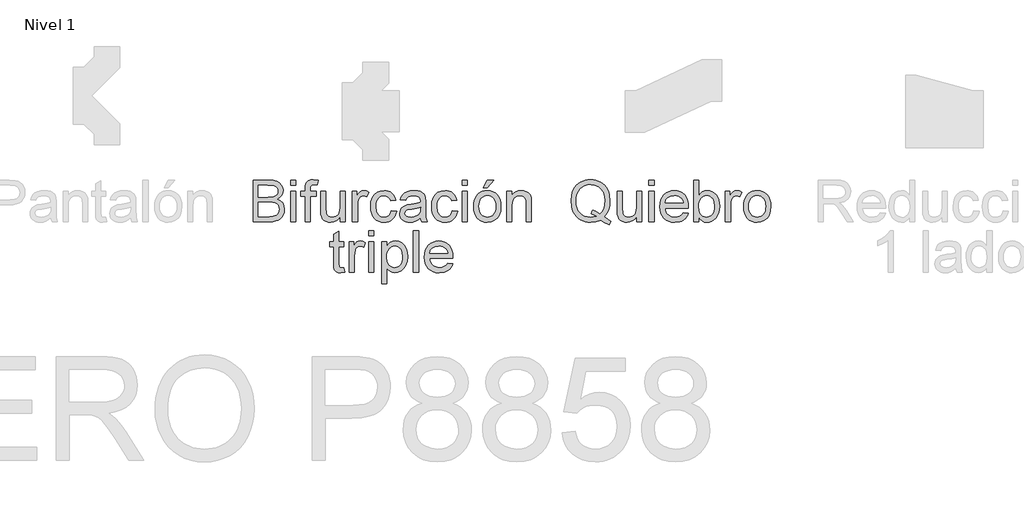
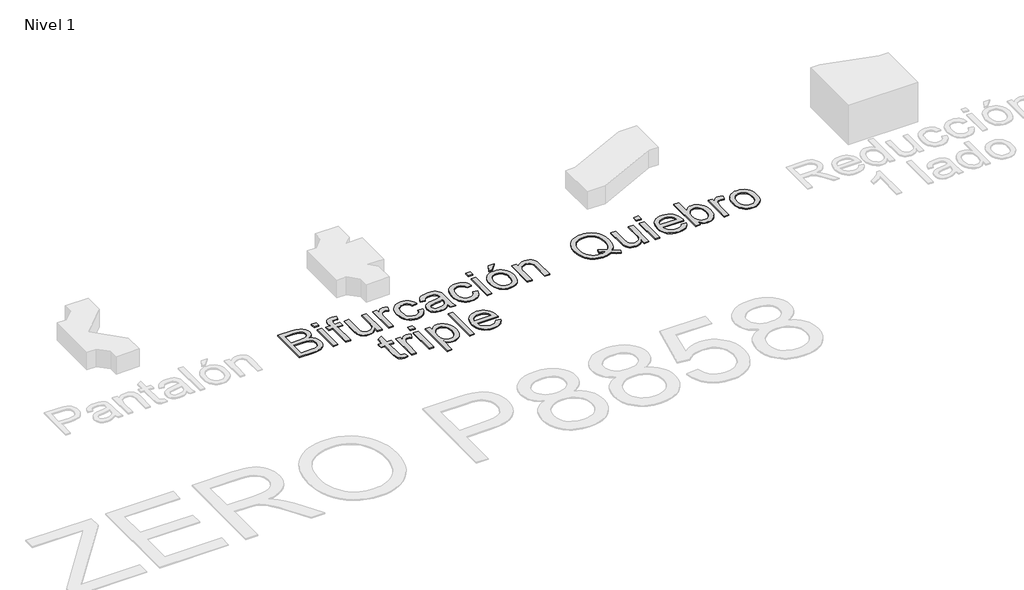
# One storey, part 6 of 8: 2 proxies.
"""IFC4 building model written with IfcOpenShell, lengths in millimetres."""

from ifc_helpers import new_model, si_unit, origin, origin_with_axes, place, context, project, spatial, polyline, outline, extrude, element, save

model = new_model("IFC4")

# Units and contexts
model_context = context("Model", 3, world=origin())
ifc_project = project(units=[si_unit("LENGTHUNIT", "METRE", prefix="MILLI")], contexts=[model_context])

# Site, building, storey
site = spatial("IfcSite", under=ifc_project)
building = spatial("IfcBuilding", under=site)
storey = spatial("IfcBuildingStorey", under=building, Name="Nivel 1", Elevation=0.0)

# Proxies
placement = place(None, origin())
element("IfcBuildingElementProxy", 1, Name="Texto de modelo 1", ObjectType="Texto de modelo 1", at=placement, inside=storey, context=model_context, shape_type="SweptSolid", body=[
    extrude(outline(polyline([(2202.1788661, -4268.1567878), (2234.6260581, -4292.9520343), (2264.4735506, -4310.0462843), (2250.9354932, -4346.8344838), (2209.5119805, -4327.6310437), (2168.2356207, -4299.8436903), (2121.759862, -4316.9134149), (2070.6242646, -4322.6033231), (2044.3145706, -4320.9631825), (2019.2434126, -4316.0427608), (1995.4107907, -4307.842058), (1972.8167048, -4296.3610741), (1952.1080142, -4281.909443), (1933.931578, -4264.7967989), (1918.2873961, -4245.0231417), (1905.1754687, -4222.5884713), (1894.8103935, -4198.072202), (1887.4067683, -4172.0537479), (1881.4838682, -4115.5102853), (1887.3945056, -4058.9177717), (1894.7828023, -4032.6172747), (1905.1264177, -4007.6472843), (1918.1984913, -3984.7926153), (1933.7721624, -3964.8380828), (1951.8474311, -3947.7836866), (1972.4242974, -3933.6294268), (1994.9018873, -3922.5132592), (2018.6793269, -3914.5731395), (2043.7566163, -3909.8090677), (2070.1337553, -3908.2210437), (2096.7346892, -3909.8458559), (2121.9928539, -3914.7202923), (2145.9082493, -3922.844353), (2168.4808754, -3934.218038), (2189.0792014, -3948.5163849), (2207.0716966, -3965.4144312), (2222.4583611, -3984.912177), (2235.2391947, -4007.0096222), (2245.2823732, -4031.1549438), (2252.4560721, -4056.7963188), (2258.1950312, -4112.5672293), (2254.712415, -4158.9448862), (2244.2645664, -4200.3683988), (2226.7779089, -4236.7887163), (2202.1788661, -4268.1567878)]), holes=[polyline([(2084.4566277, -4201.3494175), (2126.6894807, -4217.3154961), (2160.7798789, -4239.5110431), (2181.4241902, -4216.2118501), (2196.1701269, -4187.7132582), (2205.0176888, -4154.0152674), (2207.9668762, -4115.1178778), (2203.7975469, -4070.9107247), (2191.2895591, -4032.6632599), (2170.749481, -4001.3442394), (2142.483881, -3977.9224191), (2108.4057455, -3963.3175039), (2070.4280609, -3958.4491988), (2041.7823162, -3960.9109425), (2015.68722, -3968.2961735), (1992.1427723, -3980.6048919), (1971.1489731, -3997.8370977), (1953.8953076, -4019.9560027), (1941.5712607, -4046.9248186), (1934.1768326, -4078.7435455), (1931.7120233, -4115.4121834), (1934.1492415, -4151.1243281), (1941.4608961, -4182.4280202), (1953.6469872, -4209.3232597), (1970.7075147, -4231.8100467), (1991.5572268, -4249.5572873), (2015.1108716, -4262.2338877), (2041.368449, -4269.8398479), (2070.329959, -4272.375168), (2098.2154143, -4269.799994), (2124.3840869, -4262.0744721), (2098.6568727, -4248.708093), (2071.5071814, -4239.8053487), (2084.4566277, -4201.3494175)])]), origin_with_axes(), (0.0, 0.0, 1.0), 10.0),
    extrude(outline(polyline([(2515.614326, -4316.3248037), (2515.614326, -4265.6061393), (2497.4409554, -4290.5424072), (2476.275478, -4308.3540271), (2452.1178936, -4319.0409991), (2424.9682024, -4322.6033231), (2400.5040497, -4320.1017255), (2377.7321542, -4312.5969328), (2358.6268159, -4301.3152183), (2345.1623349, -4287.4828553), (2336.1001751, -4270.6829108), (2330.2018004, -4250.498452), (2327.2587445, -4203.8019641), (2327.2587445, -4021.2343926), (2377.4868995, -4021.2343926), (2377.4868995, -4180.1594145), (2380.5280574, -4231.3685883), (2387.8489091, -4248.4505756), (2400.3936851, -4261.43681), (2417.3285196, -4269.6405785), (2437.8195468, -4272.375168), (2459.4877963, -4269.5792648), (2479.7580942, -4261.1915554), (2496.4721995, -4247.9845917), (2507.4718712, -4230.7309262), (2513.5787123, -4207.1006393), (2515.614326, -4174.763812), (2515.614326, -4021.2343926), (2565.8424811, -4021.2343926), (2565.8424811, -4316.3248037), (2515.614326, -4316.3248037)])), origin_with_axes(), (0.0, 0.0, 1.0), 10.0),
    extrude(outline(polyline([(2634.9061943, -3964.7277182), (2634.9061943, -3914.4995631), (2685.1343494, -3914.4995631), (2685.1343494, -3964.7277182), (2634.9061943, -3964.7277182)])), origin_with_axes(), (0.0, 0.0, 1.0), 10.0),
    extrude(outline(polyline([(2634.9061943, -4316.3248037), (2634.9061943, -4021.2343926), (2685.1343494, -4021.2343926), (2685.1343494, -4316.3248037), (2634.9061943, -4316.3248037)])), origin_with_axes(), (0.0, 0.0, 1.0), 10.0),
    extrude(outline(polyline([(2967.0791105, -4228.4255323), (3016.3262469, -4234.7040517), (3008.775469, -4254.428658), (2998.582072, -4271.8110823), (2985.7460561, -4286.8513245), (2970.2674211, -4299.5493847), (2952.3055827, -4309.6354827), (2932.0199563, -4316.8398385), (2884.4773398, -4322.6033231), (2853.3116035, -4320.1170539), (2825.5426442, -4312.6582465), (2801.170462, -4300.2269007), (2780.1950569, -4282.8230167), (2763.3276675, -4260.9309723), (2751.2795321, -4235.0351455), (2744.0506509, -4205.1355363), (2741.6410238, -4171.2321448), (2744.0751764, -4136.179122), (2751.377634, -4105.2831658), (2763.5483966, -4078.5442761), (2780.5874644, -4055.962453), (2801.5076872, -4038.0220743), (2825.321915, -4025.2075182), (2852.0301479, -4017.5187845), (2881.6323857, -4014.9558732), (2910.2811961, -4017.5126531), (2936.1892856, -4025.1829927), (2959.3566543, -4037.966892), (2979.783302, -4055.8643511), (2996.4575535, -4078.3971233), (3008.3677331, -4105.0869621), (3015.5138408, -4135.9338674), (3017.8958767, -4170.9378392), (3017.6015712, -4184.4758966), (2791.8691789, -4184.4758966), (2794.7785124, -4204.519334), (2800.5634567, -4222.0734365), (2809.224012, -4237.1382042), (2820.7601783, -4249.7136371), (2834.5342933, -4259.6280569), (2849.908695, -4266.7097853), (2885.4583585, -4272.375168), (2912.1911168, -4269.7509431), (2934.7054949, -4261.8782684), (2953.0014928, -4248.2666346), (2967.0791105, -4228.4255323)]), holes=[polyline([(2791.8691789, -4134.2477415), (2967.6677217, -4134.2477415), (2960.8741675, -4107.711187), (2947.5568393, -4088.728476), (2933.8593663, -4078.4277801), (2918.2734325, -4071.0701402), (2900.7990377, -4066.6555563), (2881.436182, -4065.1840283), (2847.5787757, -4069.8806551), (2819.5829559, -4083.9705355), (2800.1219983, -4105.9330907), (2791.8691789, -4134.2477415)])]), origin_with_axes(), (0.0, 0.0, 1.0), 10.0),
    extrude(outline(polyline([(3118.3521869, -4316.3248037), (3068.1240318, -4316.3248037), (3068.1240318, -3914.4995631), (3118.3521869, -3914.4995631), (3118.3521869, -4063.5162966), (3134.8700885, -4042.2711114), (3153.5217056, -4027.0959791), (3174.3070384, -4017.9908997), (3197.2260867, -4014.9558732), (3223.1004537, -4017.6904627), (3247.5523436, -4025.8942312), (3269.1838049, -4039.0521439), (3286.596886, -4056.649166), (3300.245308, -4078.5136193), (3310.5827921, -4104.4738254), (3317.0943034, -4133.4506639), (3319.2648072, -4164.3650142), (3317.0176613, -4200.037305), (3310.2762238, -4231.4176392), (3299.0404945, -4258.5060168), (3283.3104735, -4281.3024378), (3264.4289301, -4299.3715751), (3243.7386336, -4312.2781017), (3221.2395839, -4320.0220177), (3196.9317811, -4322.6033231), (3173.2585747, -4319.273991), (3152.2709069, -4309.2859949), (3133.9687776, -4292.6393346), (3118.3521869, -4269.3340102), (3118.3521869, -4316.3248037)]), holes=[polyline([(3118.3521869, -4166.719459), (3121.7857522, -4208.6089555), (3132.0864481, -4236.9603946), (3144.2572107, -4252.454358), (3158.4022734, -4263.5214747), (3174.5216362, -4270.1617447), (3192.615299, -4272.375168), (3207.6371471, -4270.7442245), (3221.6044002, -4265.851394), (3234.5170582, -4257.6966764), (3246.3751212, -4246.2800718), (3256.289541, -4231.632237), (3263.3712694, -4213.7838289), (3267.6203064, -4192.7348474), (3269.0366521, -4168.4852926), (3263.6042613, -4122.5245686), (3256.8137728, -4104.7313428), (3247.3070889, -4090.3962077), (3235.8751559, -4079.3658792), (3223.3089201, -4071.4870732), (3209.6083815, -4066.7597895), (3194.77354, -4065.1840283), (3179.7516919, -4066.8149718), (3165.7844388, -4071.7078024), (3152.8717808, -4079.8625199), (3141.0137178, -4091.2791245), (3131.099298, -4105.7798065), (3124.0175696, -4123.1867562), (3119.7685326, -4143.4999737), (3118.3521869, -4166.719459)])]), origin_with_axes(), (0.0, 0.0, 1.0), 10.0),
    extrude(outline(polyline([(3375.7714817, -4316.3248037), (3375.7714817, -4021.2343926), (3419.7211173, -4021.2343926), (3419.7211173, -4064.8897227), (3435.9569761, -4039.5794415), (3450.9175105, -4024.6679579), (3465.9270959, -4017.3838944), (3482.3101075, -4014.9558732), (3507.3260831, -4018.8308969), (3532.7344663, -4030.455968), (3515.9590473, -4075.4847242), (3498.3007115, -4067.7592023), (3480.6423757, -4065.1840283), (3465.6450531, -4067.6611004), (3452.2418857, -4075.0923167), (3441.4138923, -4086.9135915), (3434.1420916, -4102.560839), (3428.0352504, -4130.6179725), (3425.9996367, -4161.2257545), (3425.9996367, -4316.3248037), (3375.7714817, -4316.3248037)])), origin_with_axes(), (0.0, 0.0, 1.0), 10.0),
    extrude(outline(polyline([(3551.5700244, -4168.7795982), (3554.2862198, -4130.5627902), (3562.434806, -4097.6312203), (3576.015783, -4069.9848884), (3595.0291508, -4047.6237944), (3614.1712773, -4033.3315789), (3635.2999665, -4023.1228535), (3658.4152185, -4016.9976183), (3683.5170334, -4014.9558732), (3711.2277446, -4017.4421424), (3736.2835742, -4024.9009498), (3758.684522, -4037.3322956), (3778.4305881, -4054.7361797), (3794.5468852, -4076.5239908), (3806.0585259, -4102.1071179), (3812.9655104, -4131.4855609), (3815.2678386, -4164.6593198), (3811.1966111, -4215.4025097), (3798.9829289, -4254.0301192), (3778.9824111, -4282.9579067), (3751.550677, -4304.6016308), (3718.968595, -4318.1029), (3683.5170334, -4322.6033231), (3655.4016519, -4320.126251), (3630.1128304, -4312.6950347), (3607.6505689, -4300.3096742), (3588.0148674, -4282.9701695), (3572.0702486, -4260.9708262), (3560.6812352, -4234.6059498), (3553.8478271, -4203.8755405), (3551.5700244, -4168.7795982)]), holes=[polyline([(3601.7981795, -4168.6814963), (3603.2513134, -4193.0444814), (3607.610715, -4214.1394482), (3614.8763844, -4231.9663965), (3625.0483216, -4246.5253265), (3637.4214194, -4257.8346321), (3651.2905706, -4265.9127076), (3666.6557752, -4270.7595529), (3683.5170334, -4272.375168), (3700.2924523, -4270.7503559), (3715.5963433, -4265.8759194), (3729.4287064, -4257.7518587), (3741.7895414, -4246.3781737), (3751.9614786, -4231.6751566), (3759.227148, -4213.5630997), (3763.5865496, -4192.042003), (3765.0396835, -4167.1118665), (3763.5773526, -4143.5214335), (3759.1903598, -4122.9782898), (3751.8787051, -4105.4824352), (3741.6423886, -4091.0338698), (3729.2355683, -4079.7245642), (3715.4124023, -4071.6464887), (3700.1728907, -4066.7996434), (3683.5170334, -4065.1840283), (3666.6557752, -4066.793512), (3651.2905706, -4071.6219632), (3637.4214194, -4079.6693819), (3625.0483216, -4090.935768), (3614.8763844, -4105.4517784), (3607.610715, -4123.2480699), (3603.2513134, -4144.3246425), (3601.7981795, -4168.6814963)])]), origin_with_axes(), (0.0, 0.0, 1.0), 10.0),
])
element("IfcBuildingElementProxy", 2, Name="Texto de modelo 1", ObjectType="Texto de modelo 1", at=placement, inside=storey, context=model_context, shape_type="SweptSolid", body=[
    extrude(outline(polyline([(-1195.2272949, -4316.3248037), (-1195.2272949, -3914.4995631), (-1041.8940793, -3914.4995631), (-999.7225399, -3917.4548818), (-966.7971013, -3926.3208379), (-941.5603965, -3941.3181605), (-922.4550582, -3962.667579), (-910.4253169, -3987.7816565), (-906.4154032, -4014.0729565), (-909.7876548, -4038.267329), (-919.9044097, -4061.014699), (-936.8392442, -4080.917115), (-960.6657348, -4096.5766252), (-932.2039311, -4111.4390578), (-911.1733437, -4134.0515378), (-898.1871092, -4162.9180117), (-893.8583644, -4196.5424261), (-896.8136831, -4224.5627714), (-905.6796392, -4250.547503), (-918.9111283, -4272.6449481), (-934.963046, -4289.0034342), (-954.6202073, -4300.8492344), (-978.6674271, -4309.4086222), (-1007.8895202, -4314.5957583), (-1043.0713017, -4316.3248037), (-1195.2272949, -4316.3248037)]), holes=[polyline([(-1144.9991398, -4077.7410671), (-1053.2738957, -4077.7410671), (-999.7102772, -4073.424585), (-980.9605582, -4065.981106), (-967.4838144, -4054.8342815), (-959.3536223, -4040.1557899), (-956.6435583, -4022.1173094), (-959.1696813, -4004.6061264), (-966.7480504, -3989.3512864), (-979.035309, -3977.4441725), (-995.6881007, -3969.976168), (-1021.2436366, -3966.0398306), (-1060.2391281, -3964.7277182), (-1144.9991398, -3964.7277182), (-1144.9991398, -4077.7410671)]), polyline([(-1144.9991398, -4266.0966486), (-1041.9921812, -4266.0966486), (-1004.7134723, -4264.1346113), (-973.1737226, -4253.1962533), (-961.5977025, -4243.7662115), (-952.2780253, -4230.8780789), (-946.1343959, -4215.1082041), (-944.0865195, -4197.0329354), (-946.4900152, -4176.0391362), (-953.7005023, -4157.988393), (-966.2943293, -4143.8739871), (-984.8478446, -4134.6891999), (-1011.1268818, -4129.6492166), (-1046.8972744, -4127.9692222), (-1144.9991398, -4127.9692222), (-1144.9991398, -4266.0966486)])]), origin_with_axes(), (0.0, 0.0, 1.0), 10.0),
    extrude(outline(polyline([(-831.0731706, -3964.7277182), (-831.0731706, -3914.4995631), (-780.8450155, -3914.4995631), (-780.8450155, -3964.7277182), (-831.0731706, -3964.7277182)])), origin_with_axes(), (0.0, 0.0, 1.0), 10.0),
    extrude(outline(polyline([(-831.0731706, -4316.3248037), (-831.0731706, -4021.2343926), (-780.8450155, -4021.2343926), (-780.8450155, -4316.3248037), (-831.0731706, -4316.3248037)])), origin_with_axes(), (0.0, 0.0, 1.0), 10.0),
    extrude(outline(polyline([(-692.9457441, -4316.3248037), (-692.9457441, -4071.4625477), (-736.8953798, -4071.4625477), (-736.8953798, -4021.2343926), (-692.9457441, -4021.2343926), (-692.9457441, -3991.5095274), (-691.621369, -3966.9104847), (-687.6482434, -3949.6200309), (-677.5437513, -3932.9181883), (-661.9455547, -3919.698962), (-640.1178896, -3911.0905233), (-611.3249921, -3908.2210437), (-565.511421, -3913.7147482), (-572.8690609, -3960.8036436), (-601.8091112, -3958.4491988), (-620.9021867, -3960.5338634), (-633.4469628, -3966.7878573), (-640.3999325, -3978.7317595), (-642.7175891, -3997.8861487), (-642.7175891, -4021.2343926), (-586.2109146, -4021.2343926), (-586.2109146, -4071.4625477), (-642.7175891, -4071.4625477), (-642.7175891, -4316.3248037), (-692.9457441, -4316.3248037)])), origin_with_axes(), (0.0, 0.0, 1.0), 10.0),
    extrude(outline(polyline([(-353.9056974, -4316.3248037), (-353.9056974, -4265.6061393), (-372.0790679, -4290.5424072), (-393.2445454, -4308.3540271), (-417.4021297, -4319.0409991), (-444.551821, -4322.6033231), (-469.0159737, -4320.1017255), (-491.7878692, -4312.5969328), (-510.8932075, -4301.3152183), (-524.3576885, -4287.4828553), (-533.4198483, -4270.6829108), (-539.3182229, -4250.498452), (-542.2612789, -4203.8019641), (-542.2612789, -4021.2343926), (-492.0331238, -4021.2343926), (-492.0331238, -4180.1594145), (-488.991966, -4231.3685883), (-481.6711143, -4248.4505756), (-469.1263383, -4261.43681), (-452.1915038, -4269.6405785), (-431.7004766, -4272.375168), (-410.0322271, -4269.5792648), (-389.7619292, -4261.1915554), (-373.0478239, -4247.9845917), (-362.0481522, -4230.7309262), (-355.9413111, -4207.1006393), (-353.9056974, -4174.763812), (-353.9056974, -4021.2343926), (-303.6775423, -4021.2343926), (-303.6775423, -4316.3248037), (-353.9056974, -4316.3248037)])), origin_with_axes(), (0.0, 0.0, 1.0), 10.0),
    extrude(outline(polyline([(-234.6138291, -4316.3248037), (-234.6138291, -4021.2343926), (-190.6641934, -4021.2343926), (-190.6641934, -4064.8897227), (-174.4283347, -4039.5794415), (-159.4678002, -4024.6679579), (-144.4582148, -4017.3838944), (-128.0752033, -4014.9558732), (-103.0592276, -4018.8308969), (-77.6508445, -4030.455968), (-94.4262634, -4075.4847242), (-112.0845992, -4067.7592023), (-129.742935, -4065.1840283), (-144.7402577, -4067.6611004), (-158.143425, -4075.0923167), (-168.9714184, -4086.9135915), (-176.2432192, -4102.560839), (-182.3500603, -4130.6179725), (-184.385674, -4161.2257545), (-184.385674, -4316.3248037), (-234.6138291, -4316.3248037)])), origin_with_axes(), (0.0, 0.0, 1.0), 10.0),
    extrude(outline(polyline([(142.097334, -4209.5899742), (192.3254891, -4215.8684935), (186.8624414, -4239.5692911), (178.3214478, -4260.5416305), (166.7025081, -4278.7855118), (152.0056224, -4294.3009349), (134.8500587, -4306.6832297), (115.855085, -4315.527726), (95.0207013, -4320.8344238), (72.3469077, -4322.6033231), (44.1763439, -4320.135448), (18.9181793, -4312.7318229), (-3.4275863, -4300.3924476), (-22.8609527, -4283.1173223), (-38.5909736, -4261.2314092), (-49.8267029, -4235.059671), (-56.5681405, -4204.6021074), (-58.8152863, -4169.8587187), (-54.9770508, -4125.1610563), (-43.4623444, -4086.4230822), (-24.087226, -4055.1408499), (3.3322454, -4032.8104127), (36.1350566, -4019.4195081), (71.6601946, -4014.9558732), (93.9446465, -4016.4887149), (114.1015142, -4021.0872398), (132.1307976, -4028.7514481), (148.0324968, -4039.4813396), (161.5368317, -4053.0316597), (172.3740222, -4069.1571539), (180.5440682, -4087.857822), (186.0469697, -4109.133664), (135.8188146, -4115.4121834), (126.7076039, -4093.4986792), (112.5196216, -4077.790118), (94.0396827, -4068.3355507), (72.0526021, -4065.1840283), (54.9859432, -4066.7352641), (39.5931474, -4071.3889713), (25.8742147, -4079.14515), (13.829145, -4090.0038003), (4.0220241, -4104.216308), (-2.9830622, -4122.0340593), (-7.186114, -4143.4570542), (-8.5871312, -4168.4852926), (-3.1056895, -4215.5619252), (3.7461126, -4233.4992382), (13.3386357, -4247.7025489), (25.144582, -4258.4968197), (38.6366542, -4266.2070132), (53.8148522, -4270.8331293), (70.679176, -4272.375168), (96.688433, -4268.5246698), (118.013326, -4256.9731751), (133.5256835, -4237.4263785), (142.097334, -4209.5899742)])), origin_with_axes(), (0.0, 0.0, 1.0), 10.0),
    extrude(outline(polyline([(424.6307063, -4278.6536874), (400.6325375, -4299.2305537), (375.9231301, -4312.6950347), (349.9383985, -4320.126251), (322.114257, -4322.6033231), (299.7500973, -4321.113401), (280.1389213, -4316.6436348), (263.2807289, -4309.1940244), (249.17552, -4298.7645698), (238.0378926, -4286.0174587), (230.0824445, -4271.6148785), (225.3091756, -4255.5568295), (223.718086, -4237.8433114), (226.1215817, -4217.0211905), (233.3320688, -4198.1120559), (244.4543678, -4181.9252481), (258.5932991, -4169.2701075), (275.2093026, -4159.7051756), (293.7628179, -4152.7889941), (337.2219442, -4145.2351505), (388.5782708, -4137.2888994), (424.3364007, -4127.9692222), (424.6307063, -4116.7856095), (421.1726155, -4094.3693333), (410.7983433, -4079.7031044), (387.5972521, -4068.8137973), (355.2726875, -4065.1840283), (325.3516185, -4067.5997868), (304.4559212, -4074.8470621), (290.2066252, -4088.2502294), (280.2247604, -4109.133664), (229.9966054, -4102.8551446), (238.7154087, -4075.3866223), (251.7261685, -4053.8042119), (270.2428956, -4037.2985731), (295.4796005, -4025.0603654), (326.3448999, -4017.4819963), (361.7474106, -4014.9558732), (395.7029187, -4017.1876907), (422.619618, -4023.883143), (442.9144414, -4033.9508469), (457.0043219, -4046.2994192), (466.3485245, -4061.566522), (472.4063147, -4080.3898175), (474.8588614, -4124.3394531), (474.8588614, -4186.8303414), (477.4095099, -4274.0919506), (487.4159001, -4316.3248037), (437.1877451, -4316.3248037), (429.1433921, -4298.8626717), (424.6307063, -4278.6536874)]), holes=[polyline([(424.6307063, -4178.1973772), (390.8836646, -4186.5605613), (343.5985655, -4193.5993701), (300.3846938, -4201.7418249), (289.1397675, -4207.3091058), (280.8133716, -4214.9855768), (275.6630237, -4224.1826266), (273.9462411, -4234.3116442), (277.6863747, -4249.2476532), (288.9067755, -4261.4858609), (307.362189, -4269.6528412), (332.8073603, -4272.375168), (359.7853733, -4269.3707984), (383.6241266, -4260.3576895), (402.950194, -4247.0771495), (416.3901496, -4231.2704864), (422.3498379, -4214.9855768), (424.3364007, -4192.4221477), (424.6307063, -4178.1973772)])]), origin_with_axes(), (0.0, 0.0, 1.0), 10.0),
    extrude(outline(polyline([(732.2781561, -4209.5899742), (782.5063112, -4215.8684935), (777.0432636, -4239.5692911), (768.5022699, -4260.5416305), (756.8833302, -4278.7855118), (742.1864445, -4294.3009349), (725.0308808, -4306.6832297), (706.0359071, -4315.527726), (685.2015235, -4320.8344238), (662.5277298, -4322.6033231), (634.357166, -4320.135448), (609.0990014, -4312.7318229), (586.7532359, -4300.3924476), (567.3198695, -4283.1173223), (551.5898485, -4261.2314092), (540.3541192, -4235.059671), (533.6126817, -4204.6021074), (531.3655358, -4169.8587187), (535.2037713, -4125.1610563), (546.7184777, -4086.4230822), (566.0935962, -4055.1408499), (593.5130675, -4032.8104127), (626.3158788, -4019.4195081), (661.8410168, -4014.9558732), (684.1254686, -4016.4887149), (704.2823363, -4021.0872398), (722.3116197, -4028.7514481), (738.213319, -4039.4813396), (751.7176539, -4053.0316597), (762.5548443, -4069.1571539), (770.7248903, -4087.857822), (776.2277918, -4109.133664), (725.9996367, -4115.4121834), (716.888426, -4093.4986792), (702.7004437, -4077.790118), (684.2205048, -4068.3355507), (662.2334242, -4065.1840283), (645.1667653, -4066.7352641), (629.7739695, -4071.3889713), (616.0550368, -4079.14515), (604.0099671, -4090.0038003), (594.2028463, -4104.216308), (587.19776, -4122.0340593), (582.9947082, -4143.4570542), (581.5936909, -4168.4852926), (587.0751326, -4215.5619252), (593.9269348, -4233.4992382), (603.5194578, -4247.7025489), (615.3254042, -4258.4968197), (628.8174763, -4266.2070132), (643.9956743, -4270.8331293), (660.8599981, -4272.375168), (686.8692552, -4268.5246698), (708.1941482, -4256.9731751), (723.7065056, -4237.4263785), (732.2781561, -4209.5899742)])), origin_with_axes(), (0.0, 0.0, 1.0), 10.0),
    extrude(outline(polyline([(826.4559469, -3964.7277182), (826.4559469, -3914.4995631), (876.684102, -3914.4995631), (876.684102, -3964.7277182), (826.4559469, -3964.7277182)])), origin_with_axes(), (0.0, 0.0, 1.0), 10.0),
    extrude(outline(polyline([(826.4559469, -4316.3248037), (826.4559469, -4021.2343926), (876.684102, -4021.2343926), (876.684102, -4316.3248037), (826.4559469, -4316.3248037)])), origin_with_axes(), (0.0, 0.0, 1.0), 10.0),
    extrude(outline(polyline([(1033.6470866, -3989.8417957), (1071.3182029, -3914.4995631), (1134.1033967, -3914.4995631), (1071.3182029, -3989.8417957), (1033.6470866, -3989.8417957)])), origin_with_axes(), (0.0, 0.0, 1.0), 10.0),
    extrude(outline(polyline([(939.4692958, -4168.7795982), (942.1854912, -4130.5627902), (950.3340774, -4097.6312203), (963.9150544, -4069.9848884), (982.9284222, -4047.6237944), (1002.0705486, -4033.3315789), (1023.1992379, -4023.1228535), (1046.3144899, -4016.9976183), (1071.4163047, -4014.9558732), (1099.127016, -4017.4421424), (1124.1828456, -4024.9009498), (1146.5837934, -4037.3322956), (1166.3298595, -4054.7361797), (1182.4461566, -4076.5239908), (1193.9577973, -4102.1071179), (1200.8647818, -4131.4855609), (1203.1671099, -4164.6593198), (1199.0958825, -4215.4025097), (1186.8822003, -4254.0301192), (1166.8816825, -4282.9579067), (1139.4499484, -4304.6016308), (1106.8678663, -4318.1029), (1071.4163047, -4322.6033231), (1043.3009233, -4320.126251), (1018.0121018, -4312.6950347), (995.5498403, -4300.3096742), (975.9141388, -4282.9701695), (959.96952, -4260.9708262), (948.5805065, -4234.6059498), (941.7470985, -4203.8755405), (939.4692958, -4168.7795982)]), holes=[polyline([(989.6974509, -4168.6814963), (991.1505848, -4193.0444814), (995.5099864, -4214.1394482), (1002.7756558, -4231.9663965), (1012.947593, -4246.5253265), (1025.3206907, -4257.8346321), (1039.189842, -4265.9127076), (1054.5550466, -4270.7595529), (1071.4163047, -4272.375168), (1088.1917237, -4270.7503559), (1103.4956147, -4265.8759194), (1117.3279777, -4257.7518587), (1129.6888128, -4246.3781737), (1139.8607499, -4231.6751566), (1147.1264193, -4213.5630997), (1151.485821, -4192.042003), (1152.9389549, -4167.1118665), (1151.4766239, -4143.5214335), (1147.0896311, -4122.9782898), (1139.7779765, -4105.4824352), (1129.54166, -4091.0338698), (1117.1348397, -4079.7245642), (1103.3116737, -4071.6464887), (1088.0721621, -4066.7996434), (1071.4163047, -4065.1840283), (1054.5550466, -4066.793512), (1039.189842, -4071.6219632), (1025.3206907, -4079.6693819), (1012.947593, -4090.935768), (1002.7756558, -4105.4517784), (995.5099864, -4123.2480699), (991.1505848, -4144.3246425), (989.6974509, -4168.6814963)])]), origin_with_axes(), (0.0, 0.0, 1.0), 10.0),
    extrude(outline(polyline([(1259.6737844, -4316.3248037), (1259.6737844, -4021.2343926), (1309.9019395, -4021.2343926), (1309.9019395, -4062.4371761), (1327.3518088, -4041.6641061), (1348.3088198, -4026.826199), (1372.7729725, -4017.9234547), (1400.7442668, -4014.9558732), (1425.5027251, -4017.3471062), (1448.1765187, -4024.5208051), (1467.0856533, -4035.5817904), (1480.5501343, -4049.6348827), (1489.6858705, -4066.6432936), (1495.6087706, -4086.570235), (1498.257521, -4135.1306583), (1498.257521, -4316.3248037), (1448.0293659, -4316.3248037), (1448.0293659, -4141.899687), (1446.5823634, -4115.9272182), (1442.2413559, -4097.459542), (1434.2337911, -4084.2280529), (1421.7871169, -4073.9641453), (1405.8333011, -4067.3790576), (1387.3043113, -4065.1840283), (1357.8860144, -4070.1136471), (1332.808725, -4084.9025033), (1322.7870064, -4096.9751641), (1315.6286359, -4113.4746716), (1311.3336136, -4134.4010257), (1309.9019395, -4159.7542265), (1309.9019395, -4316.3248037), (1259.6737844, -4316.3248037)])), origin_with_axes(), (0.0, 0.0, 1.0), 10.0),
    extrude(outline(polyline([(-316.2345811, -4762.3345786), (-309.9560617, -4805.6956031), (-347.5290761, -4810.5025945), (-371.6376095, -4808.4179298), (-389.6147764, -4802.1639359), (-402.3189679, -4792.5254276), (-410.6085756, -4780.2872199), (-415.1703123, -4759.2688953), (-416.6908912, -4723.2900361), (-416.6908912, -4559.3618191), (-454.3620075, -4559.3618191), (-454.3620075, -4509.133664), (-416.6908912, -4509.133664), (-416.6908912, -4437.4212004), (-366.4627361, -4407.8925389), (-366.4627361, -4509.133664), (-316.2345811, -4509.133664), (-316.2345811, -4559.3618191), (-366.4627361, -4559.3618191), (-366.4627361, -4721.8185082), (-363.8139858, -4747.7174006), (-355.2300726, -4756.889925), (-338.1112971, -4760.2744394), (-316.2345811, -4762.3345786)])), origin_with_axes(), (0.0, 0.0, 1.0), 10.0),
    extrude(outline(polyline([(-266.006426, -4804.2240751), (-266.006426, -4509.133664), (-222.0567903, -4509.133664), (-222.0567903, -4552.7889941), (-205.8209316, -4527.4787128), (-190.8603971, -4512.5672293), (-175.8508117, -4505.2831658), (-159.4678002, -4502.8551446), (-134.4518245, -4506.7301683), (-109.0434414, -4518.3552394), (-125.8188604, -4563.3839956), (-143.4771961, -4555.6584737), (-161.1355319, -4553.0832997), (-176.1328546, -4555.5603718), (-189.5360219, -4562.9915881), (-200.3640153, -4574.8128629), (-207.6358161, -4590.4601104), (-213.7426572, -4618.5172439), (-215.7782709, -4649.1250259), (-215.7782709, -4804.2240751), (-266.006426, -4804.2240751)])), origin_with_axes(), (0.0, 0.0, 1.0), 10.0),
    extrude(outline(polyline([(-77.6508445, -4804.2240751), (-77.6508445, -4509.133664), (-27.4226894, -4509.133664), (-27.4226894, -4804.2240751), (-77.6508445, -4804.2240751)])), origin_with_axes(), (0.0, 0.0, 1.0), 10.0),
    extrude(outline(polyline([(-77.6508445, -4452.6269896), (-77.6508445, -4402.3988345), (-27.4226894, -4402.3988345), (-27.4226894, -4452.6269896), (-77.6508445, -4452.6269896)])), origin_with_axes(), (0.0, 0.0, 1.0), 10.0),
    extrude(outline(polyline([(47.9195432, -4917.237424), (47.9195432, -4509.133664), (98.1476983, -4509.133664), (98.1476983, -4558.3808004), (114.5307098, -4534.088326), (132.8757586, -4516.7365586), (154.2619653, -4506.3254981), (179.7684503, -4502.8551446), (213.7362212, -4507.711187), (243.4365609, -4522.279314), (267.6186707, -4545.6766089), (285.0317518, -4577.0201549), (295.5531769, -4614.0290836), (299.0603186, -4654.4225266), (295.0994558, -4697.3788809), (283.2168673, -4735.798024), (263.792698, -4767.7301812), (237.2070925, -4791.2255779), (206.2436912, -4805.6833403), (173.6861346, -4810.5025945), (150.5954081, -4807.2774956), (129.9817536, -4797.6021992), (112.3356806, -4782.997284), (98.1476983, -4764.9833289), (98.1476983, -4917.237424), (47.9195432, -4917.237424)]), holes=[polyline([(98.1476983, -4659.0333143), (103.5800891, -4704.0620705), (110.3705776, -4721.4996771), (119.8772615, -4735.5527693), (143.9244812, -4754.0940219), (157.6863335, -4758.729335), (172.6070141, -4760.2744394), (187.7422925, -4758.6741527), (201.7555309, -4753.8732927), (214.6467291, -4745.8718593), (226.4158873, -4734.6698525), (236.2230081, -4720.1078569), (243.2280945, -4702.0264568), (247.4311463, -4680.4256523), (248.8321635, -4655.3054434), (243.3629845, -4610.5219419), (236.5265108, -4592.9494452), (226.9554475, -4578.5897847), (202.945016, -4559.459921), (189.3395135, -4554.677455), (174.6671533, -4553.0832997), (160.0407783, -4554.7786226), (146.278926, -4559.8645911), (121.3487895, -4580.2084655), (111.1983121, -4595.3069557), (103.9479711, -4613.4772606), (99.5977665, -4634.7193801), (98.1476983, -4659.0333143)])]), origin_with_axes(), (0.0, 0.0, 1.0), 10.0),
    extrude(outline(polyline([(355.5669931, -4804.2240751), (355.5669931, -4402.3988345), (405.7951481, -4402.3988345), (405.7951481, -4804.2240751), (355.5669931, -4804.2240751)])), origin_with_axes(), (0.0, 0.0, 1.0), 10.0),
    extrude(outline(polyline([(687.7399092, -4716.3248037), (736.9870457, -4722.6033231), (729.4362677, -4742.3279294), (719.2428708, -4759.7103537), (706.4068548, -4774.7505959), (690.9282199, -4787.4486561), (672.9663814, -4797.5347541), (652.6807551, -4804.7391099), (605.1381386, -4810.5025945), (573.9724022, -4808.0163253), (546.203443, -4800.5575179), (521.8312608, -4788.1261721), (500.8558557, -4770.722288), (483.9884662, -4748.8302437), (471.9403309, -4722.9344169), (464.7114497, -4693.0348077), (462.3018226, -4659.1314162), (464.7359751, -4624.0783934), (472.0384327, -4593.1824372), (484.2091954, -4566.4435475), (501.2482631, -4543.8617244), (522.1684859, -4525.9213457), (545.9827138, -4513.1067896), (572.6909466, -4505.4180559), (602.2931845, -4502.8551446), (630.9419949, -4505.4119245), (656.8500844, -4513.0822641), (680.017453, -4525.8661634), (700.4441008, -4543.7636225), (717.1183522, -4566.2963947), (729.0285318, -4592.9862334), (736.1746396, -4623.8331387), (738.5566755, -4658.8371106), (738.2623699, -4672.375168), (512.5299777, -4672.375168), (515.4393111, -4692.4186054), (521.2242555, -4709.9727079), (529.8848108, -4725.0374756), (541.420977, -4737.6129085), (555.1950921, -4747.5273283), (570.5694938, -4754.6090567), (606.1191572, -4760.2744394), (632.8519156, -4757.6502145), (655.3662937, -4749.7775398), (673.6622915, -4736.165906), (687.7399092, -4716.3248037)]), holes=[polyline([(512.5299777, -4622.1470129), (688.3285204, -4622.1470129), (681.5349662, -4595.6104583), (668.217638, -4576.6277474), (654.5201651, -4566.3270515), (638.9342312, -4558.9694116), (621.4598364, -4554.5548277), (602.0969808, -4553.0832997), (568.2395745, -4557.7799265), (540.2437546, -4571.8698069), (520.7827971, -4593.832362), (512.5299777, -4622.1470129)])]), origin_with_axes(), (0.0, 0.0, 1.0), 10.0),
])

save(model, "model.ifc")
